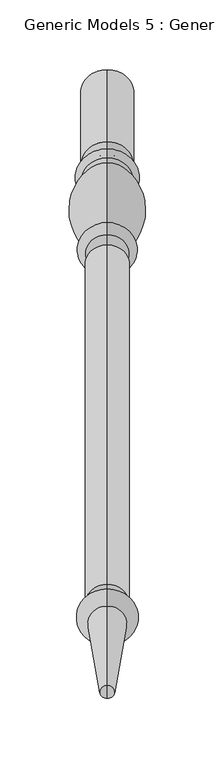
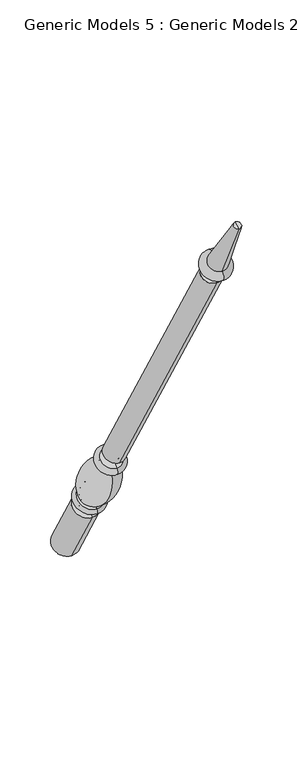
"""IFC4 building model written with IfcOpenShell, lengths in millimetres: proxy geometry, Generic Models 5 : Generic Models 2."""

from ifc_helpers import new_model, si_unit, point, frame, origin, place, context, project, spatial, polyline, circle_curve, ellipse_curve, trimmed, source, transform, mapped, element, save
from ifc_brep_helpers import plane_surface, cylinder_surface, revolved_surface, advanced_brep


def generic_models_5_generic_models_2_25ce6ad0(model_context):
    return source(origin(), model_context, "Body", "AdvancedBrep", [
        advanced_brep(
        [(-1975.2684498, 1861.1601077, 610.5814746), (-1975.2684498, 1828.1645398, 591.5314746), (-1975.2684498, 1880.0576333, 501.65), (-1975.2684498, 1913.0532012, 520.7), (-1975.2684498, 1853.6896456, 623.5206944), (-1975.2684498, 1820.6940777, 604.4706944), (-1975.2684498, 1849.5864045, 630.6277165), (-1975.2684498, 1816.5908366, 611.5777165), (-1975.2684498, 1845.9182158, 636.9812058), (-1975.2684498, 1812.9226479, 617.9312058), (-1975.2684498, 1801.1569262, 703.055156), (-1975.2684498, 1778.0815733, 689.7325947), (-1975.2684498, 1799.8610191, 710.4046105), (-1975.2684498, 1772.3647125, 694.5296105), (-1975.2684498, 1794.1590629, 720.2806883), (-1975.2684498, 1766.6627563, 704.4056883), (-1975.2684498, 1786.7732215, 733.0733408), (-1975.2684498, 1759.276915, 717.1983408), (-1975.2684498, 1542.2982215, 1156.516462), (-1975.2684498, 1514.801915, 1140.641462), (-1975.2684498, 1537.2251467, 1153.5875209), (-1975.2684498, 1519.8749898, 1143.5704031), (-1975.2684498, 1531.1910418, 1164.0388972), (-1975.2684498, 1513.8408848, 1154.0217794), (-1975.2684498, 1534.7597609, 1166.0992981), (-1975.2684498, 1510.2721658, 1151.9613785), (-1975.2684498, 1526.5847892, 1180.2587644), (-1975.2684498, 1502.0971941, 1166.1208448), (-1975.2684498, 1469.4852742, 1261.8053229), (-1975.2684498, 1460.0255603, 1256.3437545), (-1975.2684498, 1464.7554173, 1259.0745387), (-1975.2684498, 1896.5554173, 511.175)],
        [
            (0, 1, circle_curve(frame((-1975.2684498, 1844.6623237, 601.0564746), z_axis=(0.0, 0.5000000000000062, -0.8660254037844352), x_axis=(0.0, -0.8660254037844352, -0.5000000000000062)), 19.05)),
            (1, 2),
            (2, 3, circle_curve(frame((-1975.2684498, 1896.5554173, 511.175), z_axis=(0.0, -0.5000000000000062, 0.8660254037844352), x_axis=(0.0, -0.8660254037844352, -0.5000000000000062)), 19.05)),
            (3, 0),
            (1, 0, circle_curve(frame((-1975.2684498, 1844.6623237, 601.0564746), z_axis=(0.0, 0.5000000000000062, -0.8660254037844352), x_axis=(0.0, -0.8660254037844352, -0.5000000000000062)), 19.05)),
            (3, 2, circle_curve(frame((-1975.2684498, 1896.5554173, 511.175), z_axis=(0.0, -0.5000000000000062, 0.8660254037844352), x_axis=(0.0, -0.8660254037844352, -0.5000000000000062)), 19.05)),
            (4, 5, circle_curve(frame((-1975.2684498, 1837.1918617, 613.9956944), z_axis=(0.0, 0.5000000000000062, -0.8660254037844352), x_axis=(0.0, -0.8660254037844352, -0.5000000000000062)), 19.05)),
            (5, 1, circle_curve(frame((-1975.2684498, 1821.8102989, 596.4889985), z_axis=(-1.0, 0.0, 0.0), x_axis=(0.0, 0.8660254037844352, 0.5000000000000062)), 8.0593685)),
            (0, 4, circle_curve(frame((-1975.2684498, 1860.0438865, 618.5631706), z_axis=(-1.0, 0.0, 0.0), x_axis=(0.0, -0.8660254037844352, -0.5000000000000062)), 8.0593685)),
            (5, 4, circle_curve(frame((-1975.2684498, 1837.1918617, 613.9956944), z_axis=(0.0, 0.5000000000000062, -0.8660254037844352), x_axis=(0.0, -0.8660254037844352, -0.5000000000000062)), 19.05)),
            (6, 7, circle_curve(frame((-1975.2684498, 1833.0886205, 621.1027165), z_axis=(0.0, 0.5000000000000062, -0.8660254037844352), x_axis=(0.0, -0.8660254037844352, -0.5000000000000062)), 19.05)),
            (7, 5, circle_curve(frame((-1975.2684498, 1818.6424572, 608.0242055), z_axis=(1.0, 0.0, 0.0), x_axis=(0.0, 0.8660254037844352, 0.5000000000000062)), 4.1032411)),
            (4, 6, circle_curve(frame((-1975.2684498, 1851.638025, 627.0742055), z_axis=(1.0, 0.0, 0.0), x_axis=(0.0, -0.8660254037844352, -0.5000000000000062)), 4.1032411)),
            (7, 6, circle_curve(frame((-1975.2684498, 1833.0886205, 621.1027165), z_axis=(0.0, 0.5000000000000062, -0.8660254037844352), x_axis=(0.0, -0.8660254037844352, -0.5000000000000062)), 19.05)),
            (8, 9, circle_curve(frame((-1975.2684498, 1829.4204318, 627.4562058), z_axis=(0.0, 0.5000000000000062, -0.8660254037844352), x_axis=(0.0, -0.8660254037844352, -0.5000000000000062)), 19.05)),
            (9, 7, circle_curve(frame((-1975.2684498, 1813.3633086, 613.9499618), z_axis=(-1.0, 0.0, 0.0), x_axis=(0.0, 0.8660254037844352, 0.5000000000000062)), 4.0055568)),
            (6, 8, circle_curve(frame((-1975.2684498, 1849.1457438, 634.6089605), z_axis=(-1.0, 0.0, 0.0), x_axis=(0.0, -0.8660254037844352, -0.5000000000000062)), 4.0055568)),
            (9, 8, circle_curve(frame((-1975.2684498, 1829.4204318, 627.4562058), z_axis=(0.0, 0.5000000000000062, -0.8660254037844352), x_axis=(0.0, -0.8660254037844352, -0.5000000000000062)), 19.05)),
            (10, 11, circle_curve(frame((-1975.2684498, 1789.6192497, 696.3938754), z_axis=(0.0, 0.5000000000000062, -0.8660254037844352), x_axis=(0.0, -0.8660254037844352, -0.5000000000000062)), 13.3225612)),
            (11, 9, circle_curve(frame((-1975.2684498, 1854.1299968, 682.2806335), z_axis=(1.0, 0.0, 0.0), x_axis=(0.0, 0.8660254037844352, 0.5000000000000062)), 76.412659)),
            (8, 10, circle_curve(frame((-1975.2684498, 1769.5863022, 633.4693086), z_axis=(1.0, 0.0, 0.0), x_axis=(0.0, -0.8660254037844352, -0.5000000000000062)), 76.412659)),
            (11, 10, circle_curve(frame((-1975.2684498, 1789.6192497, 696.3938754), z_axis=(0.0, 0.5000000000000062, -0.8660254037844352), x_axis=(0.0, -0.8660254037844352, -0.5000000000000062)), 13.3225612)),
            (12, 13, circle_curve(frame((-1975.2684498, 1786.1128658, 702.4671105), z_axis=(0.0, 0.5000000000000062, -0.8660254037844352), x_axis=(0.0, -0.8660254037844352, -0.5000000000000062)), 15.875)),
            (13, 11, circle_curve(frame((-1975.2684498, 1773.4069828, 689.9666873), z_axis=(-1.0, 0.0, 0.0), x_axis=(0.0, 0.8660254037844352, 0.5000000000000062)), 4.6804482)),
            (10, 12, circle_curve(frame((-1975.2684498, 1803.2914914, 707.2205164), z_axis=(-1.0, 0.0, 0.0), x_axis=(0.0, -0.8660254037844352, -0.5000000000000062)), 4.6804482)),
            (13, 12, circle_curve(frame((-1975.2684498, 1786.1128658, 702.4671105), z_axis=(0.0, 0.5000000000000062, -0.8660254037844352), x_axis=(0.0, -0.8660254037844352, -0.5000000000000062)), 15.875)),
            (14, 15, circle_curve(frame((-1975.2684498, 1780.4109096, 712.3431883), z_axis=(0.0, 0.5000000000000062, -0.8660254037844352), x_axis=(0.0, -0.8660254037844352, -0.5000000000000062)), 15.875)),
            (15, 13, circle_curve(frame((-1975.2684498, 1769.5137344, 699.4676494), z_axis=(1.0, 0.0, 0.0), x_axis=(0.0, 0.8660254037844352, 0.5000000000000062)), 5.7019562)),
            (12, 14, circle_curve(frame((-1975.2684498, 1797.010041, 715.3426494), z_axis=(1.0, 0.0, 0.0), x_axis=(0.0, -0.8660254037844352, -0.5000000000000062)), 5.7019562)),
            (15, 14, circle_curve(frame((-1975.2684498, 1780.4109096, 712.3431883), z_axis=(0.0, 0.5000000000000062, -0.8660254037844352), x_axis=(0.0, -0.8660254037844352, -0.5000000000000062)), 15.875)),
            (16, 17, circle_curve(frame((-1975.2684498, 1773.0250683, 725.1358408), z_axis=(0.0, 0.5000000000000062, -0.8660254037844352), x_axis=(0.0, -0.8660254037844352, -0.5000000000000062)), 15.875)),
            (17, 15, circle_curve(frame((-1975.2684498, 1762.9698356, 710.8020145), z_axis=(-1.0, 0.0, 0.0), x_axis=(0.0, 0.8660254037844352, 0.5000000000000062)), 7.3858413)),
            (14, 16, circle_curve(frame((-1975.2684498, 1790.4661422, 726.6770145), z_axis=(-1.0, 0.0, 0.0), x_axis=(0.0, -0.8660254037844352, -0.5000000000000062)), 7.3858413)),
            (17, 16, circle_curve(frame((-1975.2684498, 1773.0250683, 725.1358408), z_axis=(0.0, 0.5000000000000062, -0.8660254037844352), x_axis=(0.0, -0.8660254037844352, -0.5000000000000062)), 15.875)),
            (18, 19, circle_curve(frame((-1975.2684498, 1528.5500683, 1148.578962), z_axis=(0.0, 0.5000000000000062, -0.8660254037844352), x_axis=(0.0, -0.8660254037844352, -0.5000000000000062)), 15.875)),
            (19, 17),
            (16, 18),
            (19, 18, circle_curve(frame((-1975.2684498, 1528.5500683, 1148.578962), z_axis=(0.0, 0.5000000000000062, -0.8660254037844352), x_axis=(0.0, -0.8660254037844352, -0.5000000000000062)), 15.875)),
            (20, 21, circle_curve(frame((-1975.2684498, 1528.5500683, 1148.578962), z_axis=(0.0, 0.5000000000000062, -0.8660254037844352), x_axis=(0.0, -0.8660254037844352, -0.5000000000000062)), 10.0171178)),
            (21, 19),
            (18, 20),
            (21, 20, circle_curve(frame((-1975.2684498, 1528.5500683, 1148.578962), z_axis=(0.0, 0.5000000000000062, -0.8660254037844352), x_axis=(0.0, -0.8660254037844352, -0.5000000000000062)), 10.0171178)),
            (22, 23, circle_curve(frame((-1975.2684498, 1522.5159633, 1159.0303383), z_axis=(0.0, 0.5000000000000062, -0.8660254037844352), x_axis=(0.0, -0.8660254037844352, -0.5000000000000062)), 10.0171178)),
            (23, 21, circle_curve(frame((-1975.2684498, 1515.3020818, 1147.8978177), z_axis=(-1.0, 0.0, 0.0), x_axis=(0.0, 0.8660254037844352, 0.5000000000000062)), 6.295872)),
            (20, 22, circle_curve(frame((-1975.2684498, 1535.7639497, 1159.7114826), z_axis=(-1.0, 0.0, 0.0), x_axis=(0.0, -0.8660254037844352, -0.5000000000000062)), 6.295872)),
            (23, 22, circle_curve(frame((-1975.2684498, 1522.5159633, 1159.0303383), z_axis=(0.0, 0.5000000000000062, -0.8660254037844352), x_axis=(0.0, -0.8660254037844352, -0.5000000000000062)), 10.0171178)),
            (24, 25, circle_curve(frame((-1975.2684498, 1522.5159633, 1159.0303383), z_axis=(0.0, 0.5000000000000062, -0.8660254037844352), x_axis=(0.0, -0.8660254037844352, -0.5000000000000062)), 14.1379196)),
            (25, 23),
            (22, 24),
            (25, 24, circle_curve(frame((-1975.2684498, 1522.5159633, 1159.0303383), z_axis=(0.0, 0.5000000000000062, -0.8660254037844352), x_axis=(0.0, -0.8660254037844352, -0.5000000000000062)), 14.1379196)),
            (26, 27, circle_curve(frame((-1975.2684498, 1514.3409916, 1173.1898046), z_axis=(0.0, 0.5000000000000062, -0.8660254037844352), x_axis=(0.0, -0.8660254037844352, -0.5000000000000062)), 14.1379196)),
            (27, 25, circle_curve(frame((-1975.2684498, 1506.1846799, 1159.0411116), z_axis=(1.0, 0.0, 0.0), x_axis=(0.0, 0.8660254037844352, 0.5000000000000062)), 8.1749717)),
            (24, 26, circle_curve(frame((-1975.2684498, 1530.672275, 1173.1790313), z_axis=(1.0, 0.0, 0.0), x_axis=(0.0, -0.8660254037844352, -0.5000000000000062)), 8.1749717)),
            (27, 26, circle_curve(frame((-1975.2684498, 1514.3409916, 1173.1898046), z_axis=(0.0, 0.5000000000000062, -0.8660254037844352), x_axis=(0.0, -0.8660254037844352, -0.5000000000000062)), 14.1379196)),
            (28, 29, circle_curve(frame((-1975.2684498, 1464.7554173, 1259.0745387), z_axis=(0.0, 0.5000000000000062, -0.8660254037844352), x_axis=(0.0, -0.8660254037844352, -0.5000000000000062)), 5.4615684)),
            (29, 27),
            (26, 28),
            (29, 28, circle_curve(frame((-1975.2684498, 1464.7554173, 1259.0745387), z_axis=(0.0, 0.5000000000000062, -0.8660254037844352), x_axis=(0.0, -0.8660254037844352, -0.5000000000000062)), 5.4615684)),
            (30, 29),
            (28, 30),
            (2, 31),
            (31, 3),
        ],
        [
            cylinder_surface(frame((-1975.2684498, 1464.7554173, 1259.0745387), z_axis=(0.0, -0.5000000000000062, 0.8660254037844352), x_axis=(0.0, -0.8660254037844352, -0.5000000000000062)), 19.05),
            revolved_surface(trimmed(ellipse_curve(frame((-1975.2684498, 1821.8102989, 596.4889985), z_axis=(1.0, 0.0, 0.0), x_axis=(0.0, 0.8660254037844352, 0.5000000000000062)), 8.0593685, 8.0593685), [point((-1975.2684498, 1828.1645398, 591.5314746))], [point((-1975.2684498, 1820.6940777, 604.4706944))], True, "CARTESIAN"), (-1975.2684498, 1464.7554173, 1259.0745387), (0.0, -0.5000000000000062, 0.8660254037844352)),
            revolved_surface(trimmed(ellipse_curve(frame((-1975.2684498, 1818.6424572, 608.0242055), z_axis=(-1.0, 0.0, 0.0), x_axis=(0.0, 0.8660254037844352, 0.5000000000000062)), 4.1032411, 4.1032411), [point((-1975.2684498, 1820.6940777, 604.4706944))], [point((-1975.2684498, 1816.5908366, 611.5777165))], True, "CARTESIAN"), (-1975.2684498, 1464.7554173, 1259.0745387), (0.0, -0.5000000000000062, 0.8660254037844352)),
            revolved_surface(trimmed(ellipse_curve(frame((-1975.2684498, 1813.3633086, 613.9499618), z_axis=(1.0, 0.0, 0.0), x_axis=(0.0, 0.8660254037844352, 0.5000000000000062)), 4.0055568, 4.0055568), [point((-1975.2684498, 1816.5908366, 611.5777165))], [point((-1975.2684498, 1812.9226479, 617.9312058))], True, "CARTESIAN"), (-1975.2684498, 1464.7554173, 1259.0745387), (0.0, -0.5000000000000062, 0.8660254037844352)),
            revolved_surface(trimmed(ellipse_curve(frame((-1975.2684498, 1854.1299968, 682.2806335), z_axis=(-1.0, 0.0, 0.0), x_axis=(0.0, 0.8660254037844352, 0.5000000000000062)), 76.412659, 76.412659), [point((-1975.2684498, 1812.9226479, 617.9312058))], [point((-1975.2684498, 1778.0815733, 689.7325947))], True, "CARTESIAN"), (-1975.2684498, 1464.7554173, 1259.0745387), (0.0, -0.5000000000000062, 0.8660254037844352)),
            revolved_surface(trimmed(ellipse_curve(frame((-1975.2684498, 1773.4069828, 689.9666873), z_axis=(1.0, 0.0, 0.0), x_axis=(0.0, 0.8660254037844352, 0.5000000000000062)), 4.6804482, 4.6804482), [point((-1975.2684498, 1778.0815733, 689.7325947))], [point((-1975.2684498, 1772.3647125, 694.5296105))], True, "CARTESIAN"), (-1975.2684498, 1464.7554173, 1259.0745387), (0.0, -0.5000000000000062, 0.8660254037844352)),
            revolved_surface(trimmed(ellipse_curve(frame((-1975.2684498, 1769.5137344, 699.4676494), z_axis=(-1.0, 0.0, 0.0), x_axis=(0.0, 0.8660254037844352, 0.5000000000000062)), 5.7019562, 5.7019562), [point((-1975.2684498, 1772.3647125, 694.5296105))], [point((-1975.2684498, 1766.6627563, 704.4056883))], True, "CARTESIAN"), (-1975.2684498, 1464.7554173, 1259.0745387), (0.0, -0.5000000000000062, 0.8660254037844352)),
            revolved_surface(trimmed(ellipse_curve(frame((-1975.2684498, 1762.9698356, 710.8020145), z_axis=(1.0, 0.0, 0.0), x_axis=(0.0, 0.8660254037844352, 0.5000000000000062)), 7.3858413, 7.3858413), [point((-1975.2684498, 1766.6627563, 704.4056883))], [point((-1975.2684498, 1759.276915, 717.1983408))], True, "CARTESIAN"), (-1975.2684498, 1464.7554173, 1259.0745387), (0.0, -0.5000000000000062, 0.8660254037844352)),
            cylinder_surface(frame((-1975.2684498, 1464.7554173, 1259.0745387), z_axis=(0.0, -0.5000000000000062, 0.8660254037844352), x_axis=(0.0, -0.8660254037844352, -0.5000000000000062)), 15.875),
            plane_surface(frame((-1975.2684498, 1528.5500683, 1148.578962), z_axis=(0.0, -0.5000000000000062, 0.8660254037844352), x_axis=(0.0, -0.8660254037844352, -0.5000000000000062))),
            revolved_surface(trimmed(ellipse_curve(frame((-1975.2684498, 1515.3020818, 1147.8978177), z_axis=(1.0, 0.0, 0.0), x_axis=(0.0, 0.8660254037844352, 0.5000000000000062)), 6.295872, 6.295872), [point((-1975.2684498, 1519.8749898, 1143.5704031))], [point((-1975.2684498, 1513.8408848, 1154.0217794))], True, "CARTESIAN"), (-1975.2684498, 1464.7554173, 1259.0745387), (0.0, -0.5000000000000062, 0.8660254037844352)),
            plane_surface(frame((-1975.2684498, 1522.5159633, 1159.0303383), z_axis=(0.0, 0.5000000000000062, -0.8660254037844352), x_axis=(0.0, -0.8660254037844352, -0.5000000000000062))),
            revolved_surface(trimmed(ellipse_curve(frame((-1975.2684498, 1506.1846799, 1159.0411116), z_axis=(-1.0, 0.0, 0.0), x_axis=(0.0, 0.8660254037844352, 0.5000000000000062)), 8.1749717, 8.1749717), [point((-1975.2684498, 1510.2721658, 1151.9613785))], [point((-1975.2684498, 1502.0971941, 1166.1208448))], True, "CARTESIAN"), (-1975.2684498, 1464.7554173, 1259.0745387), (0.0, -0.5000000000000062, 0.8660254037844352)),
            revolved_surface(polyline([(-1975.2684498, 1502.0971941, 1166.1208448), (-1975.2684498, 1460.0255603, 1256.3437545)]), (-1975.2684498, 1464.7554173, 1259.0745387), (0.0, -0.5000000000000062, 0.8660254037844352)),
            plane_surface(frame((-1975.2684498, 1464.7554173, 1259.0745387), z_axis=(0.0, -0.5000000000000062, 0.8660254037844352), x_axis=(0.0, -0.8660254037844352, -0.5000000000000062))),
            plane_surface(frame((-1975.2684498, 1896.5554173, 511.175), z_axis=(0.0, 0.5000000000000062, -0.8660254037844352), x_axis=(0.0, -0.8660254037844352, -0.5000000000000062))),
        ],
        [
            (0, [[1, 2, 3, 4]]),
            (0, [[5, -4, 6, -2]]),
            (1, [[7, 8, -1, 9]]),
            (1, [[10, -9, -5, -8]]),
            (2, [[11, 12, -7, 13]]),
            (2, [[14, -13, -10, -12]]),
            (3, [[15, 16, -11, 17]]),
            (3, [[18, -17, -14, -16]]),
            (4, [[19, 20, -15, 21]]),
            (4, [[22, -21, -18, -20]]),
            (5, [[23, 24, -19, 25]]),
            (5, [[26, -25, -22, -24]]),
            (6, [[27, 28, -23, 29]]),
            (6, [[30, -29, -26, -28]]),
            (7, [[31, 32, -27, 33]]),
            (7, [[34, -33, -30, -32]]),
            (8, [[35, 36, -31, 37]]),
            (8, [[38, -37, -34, -36]]),
            (9, [[39, 40, -35, 41]]),
            (9, [[42, -41, -38, -40]]),
            (10, [[43, 44, -39, 45]]),
            (10, [[46, -45, -42, -44]]),
            (11, [[47, 48, -43, 49]]),
            (11, [[50, -49, -46, -48]]),
            (12, [[51, 52, -47, 53]]),
            (12, [[54, -53, -50, -52]]),
            (13, [[55, 56, -51, 57]]),
            (13, [[58, -57, -54, -56]]),
            (14, [[59, -55, 60]]),
            (14, [[-60, -58, -59]]),
            (15, [[-3, 61, 62]]),
            (15, [[-6, -62, -61]]),
        ],
    ),
    ])


if __name__ == "__main__":
    model = new_model("IFC4")
    model_context = context("Model", 3, world=origin())
    ifc_project = project(units=[si_unit("LENGTHUNIT", "METRE", prefix="MILLI")], contexts=[model_context])
    site = spatial("IfcSite", under=ifc_project)
    building = spatial("IfcBuilding", under=site)
    placement = place(None, origin())
    generic_models_5_generic_models_2_shape = generic_models_5_generic_models_2_25ce6ad0(model_context)
    element("IfcBuildingElementProxy", 1, Name="Generic Models 5 : Generic Models 2", ObjectType="Generic Models 5 : Generic Models 2", at=placement, inside=building, context=model_context, shape_type="MappedRepresentation", body=[
        mapped(generic_models_5_generic_models_2_shape, transform((0.0, 0.0, 0.0), x_axis=(1.0, 0.0, 0.0), y_axis=(0.0, 1.0, 0.0), z_axis=(0.0, 0.0, 1.0))),
    ])
    save(model, "model.ifc")
